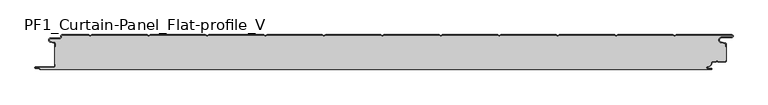
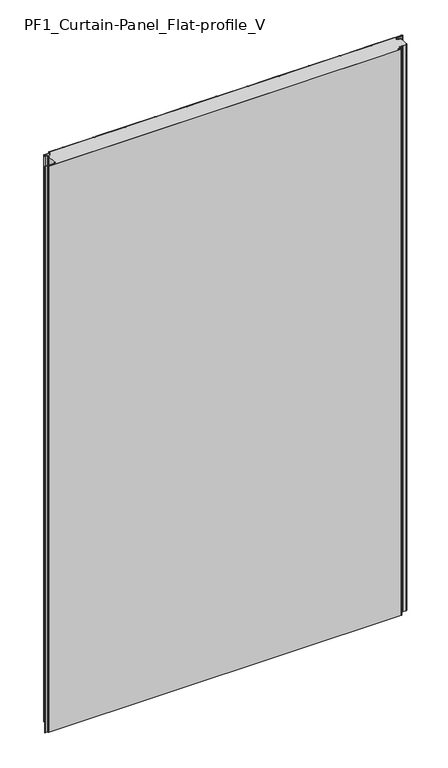
"""IFC4 building model written with IfcOpenShell, lengths in millimetres: plate geometry, PF1_Curtain-Panel_Flat-profile_V."""

from ifc_helpers import new_model, si_unit, point, frame_2d, origin, origin_with_axes, place, context, project, spatial, polyline, circle_curve, trimmed, segment, composite_curve, outline, extrude, source, transform, mapped, element, save


def pf1_curtain_panel_flat_profile_v_7232b82f(model_context):
    return source(origin(), model_context, "Body", "SweptSolid", [
        extrude(outline(composite_curve([segment(trimmed(circle_curve(frame_2d((-577.0, -15.878557)), 2.0), [point((-575.0, -15.878557))], [point((-576.5500978, -13.9298169))], True, "CARTESIAN"), True, "CONTINUOUS"), segment(polyline([(-576.5500978, -13.9298169), (-582.7098239, -12.507732)]), True, "CONTINUOUS"), segment(trimmed(circle_curve(frame_2d((-581.9, -9.0)), 3.6), [point((-582.7098239, -12.507732))], [point((-581.9, -5.4))], False, "CARTESIAN"), True, "CONTINUOUS"), segment(polyline([(-581.9, -5.4), (-566.4, -5.4)]), True, "CONTINUOUS"), segment(trimmed(circle_curve(frame_2d((-566.4, -3.4)), 2.0), [point((-566.4, -5.4))], [point((-564.4, -3.4))], True, "CARTESIAN"), True, "CONTINUOUS"), segment(polyline([(-564.4, -3.4), (-564.4, -2.0)]), True, "CONTINUOUS"), segment(trimmed(circle_curve(frame_2d((-562.4, -2.0)), 2.0), [point((-564.4, -2.0))], [point((-562.4, 0.0))], False, "CARTESIAN"), True, "CONTINUOUS"), segment(polyline([(-562.4, 0.0), (-517.0999995, 0.0), (-514.4, -1.5588455), (-511.7000005, 0.0), (-417.0999995, 0.0), (-414.4, -1.5588455), (-411.7000005, 0.0), (-317.0999995, 0.0), (-314.4, -1.5588455), (-311.7000005, 0.0), (-217.0999995, 0.0), (-214.4, -1.5588455), (-211.7000005, 0.0), (-117.0999995, 0.0), (-114.4, -1.5588455), (-111.7000005, 0.0), (-17.0999995, 0.0), (-14.4, -1.5588455), (-11.7000005, 0.0), (82.9000005, 0.0), (85.6, -1.5588455), (88.2999995, 0.0), (182.9000005, 0.0), (185.6, -1.5588455), (188.2999995, 0.0), (282.9000005, 0.0), (285.6, -1.5588455), (288.2999995, 0.0), (382.9000005, 0.0), (385.6, -1.5588455), (388.2999995, 0.0), (482.9000005, 0.0), (485.6, -1.5588455), (488.2999995, 0.0), (583.268846, 0.0)]), True, "CONTINUOUS"), segment(trimmed(circle_curve(frame_2d((583.268846, -2.5)), 2.5), [point((583.268846, 0.0))], [point((583.268846, -5.0))], False, "CARTESIAN"), True, "CONTINUOUS"), segment(polyline([(583.268846, -5.0), (566.268846, -5.0)]), True, "CONTINUOUS"), segment(trimmed(circle_curve(frame_2d((566.268846, -9.0)), 4.0), [point((566.268846, -5.0))], [point((565.574253, -12.939231))], True, "CARTESIAN"), True, "CONTINUOUS"), segment(polyline([(565.574253, -12.939231), (572.0203315, -14.0758491)]), True, "CONTINUOUS"), segment(trimmed(circle_curve(frame_2d((571.568846, -16.6363492)), 2.6), [point((572.0203315, -14.0758491))], [point((574.168846, -16.6363492))], False, "CARTESIAN"), True, "CONTINUOUS"), segment(polyline([(574.168846, -16.6363492), (574.168846, -20.0), (573.368846, -20.0), (573.368846, -16.6363492)]), True, "CONTINUOUS"), segment(trimmed(circle_curve(frame_2d((571.568846, -16.6363492)), 1.8), [point((573.368846, -16.6363492))], [point((571.8814129, -14.8636953))], True, "CARTESIAN"), True, "CONTINUOUS"), segment(polyline([(571.8814129, -14.8636953), (565.4353344, -13.7270772)]), True, "CONTINUOUS"), segment(trimmed(circle_curve(frame_2d((566.268846, -9.0)), 4.8), [point((565.4353344, -13.7270772))], [point((566.268846, -4.2))], False, "CARTESIAN"), True, "CONTINUOUS"), segment(polyline([(566.268846, -4.2), (583.268846, -4.2)]), True, "CONTINUOUS"), segment(trimmed(circle_curve(frame_2d((583.268846, -2.5)), 1.7), [point((583.268846, -4.2))], [point((583.268846, -0.8))], True, "CARTESIAN"), True, "CONTINUOUS"), segment(polyline([(583.268846, -0.8), (488.5143588, -0.8), (485.6, -2.482606), (482.6856412, -0.8), (388.5143588, -0.8), (385.6, -2.482606), (382.6856412, -0.8), (288.5143588, -0.8), (285.6, -2.482606), (282.6856412, -0.8), (188.5143588, -0.8), (185.6, -2.482606), (182.6856412, -0.8), (88.5143588, -0.8), (85.6, -2.482606), (82.6856412, -0.8), (-11.4856412, -0.8), (-14.4, -2.482606), (-17.3143588, -0.8), (-111.4856412, -0.8), (-114.4, -2.482606), (-117.3143588, -0.8), (-211.4856412, -0.8), (-214.4, -2.482606), (-217.3143588, -0.8), (-311.4856412, -0.8), (-314.4, -2.482606), (-317.3143588, -0.8), (-411.4856412, -0.8), (-414.4, -2.482606), (-417.3143588, -0.8), (-511.4856412, -0.8), (-514.4, -2.482606), (-517.3143588, -0.8), (-562.4, -0.8)]), True, "CONTINUOUS"), segment(trimmed(circle_curve(frame_2d((-562.4, -2.0)), 1.2), [point((-562.4, -0.8))], [point((-563.6, -2.0))], True, "CARTESIAN"), True, "CONTINUOUS"), segment(polyline([(-563.6, -2.0), (-563.6, -3.4)]), True, "CONTINUOUS"), segment(trimmed(circle_curve(frame_2d((-566.4, -3.4)), 2.8), [point((-563.6, -3.4))], [point((-566.4, -6.2))], False, "CARTESIAN"), True, "CONTINUOUS"), segment(polyline([(-566.4, -6.2), (-581.9, -6.2)]), True, "CONTINUOUS"), segment(trimmed(circle_curve(frame_2d((-581.9, -9.0)), 2.8), [point((-581.9, -6.2))], [point((-582.529863, -11.7282362))], True, "CARTESIAN"), True, "CONTINUOUS"), segment(polyline([(-582.529863, -11.7282362), (-576.370137, -13.150321)]), True, "CONTINUOUS"), segment(trimmed(circle_curve(frame_2d((-577.0, -15.878557)), 2.8), [point((-576.370137, -13.150321))], [point((-574.2, -15.878557))], False, "CARTESIAN"), True, "CONTINUOUS"), segment(polyline([(-574.2, -15.878557), (-574.2, -20.0), (-575.0, -20.0), (-575.0, -15.878557)]), True, "CONTINUOUS")], self_intersect=False)), origin_with_axes(), (0.0, 0.0, 1.0), 1945.7507136),
        extrude(outline(composite_curve([segment(polyline([(-574.2, -50.0), (-575.0, -50.0), (-575.0, -20.0), (-574.2, -20.0), (-574.2, -15.878557)]), True, "CONTINUOUS"), segment(trimmed(circle_curve(frame_2d((-577.0, -15.878557)), 2.8), [point((-574.2, -15.878557))], [point((-576.370137, -13.1503208))], True, "CARTESIAN"), True, "CONTINUOUS"), segment(polyline([(-576.370137, -13.1503208), (-582.529863, -11.7282362)]), True, "CONTINUOUS"), segment(trimmed(circle_curve(frame_2d((-581.9, -9.0)), 2.8), [point((-582.529863, -11.7282362))], [point((-581.9, -6.2))], False, "CARTESIAN"), True, "CONTINUOUS"), segment(polyline([(-581.9, -6.2), (-566.4, -6.2)]), True, "CONTINUOUS"), segment(trimmed(circle_curve(frame_2d((-566.4, -3.4)), 2.8), [point((-566.4, -6.2))], [point((-563.6, -3.4))], True, "CARTESIAN"), True, "CONTINUOUS"), segment(polyline([(-563.6, -3.4), (-563.6, -2.0)]), True, "CONTINUOUS"), segment(trimmed(circle_curve(frame_2d((-562.4, -2.0)), 1.2), [point((-563.6, -2.0))], [point((-562.4, -0.8))], False, "CARTESIAN"), True, "CONTINUOUS"), segment(polyline([(-562.4, -0.8), (-517.3143588, -0.8), (-514.4, -2.482606), (-511.4856412, -0.8), (-417.3143588, -0.8), (-414.4, -2.482606), (-411.4856412, -0.8), (-317.3143588, -0.8), (-314.4, -2.482606), (-311.4856412, -0.8), (-217.3143588, -0.8), (-214.4, -2.482606), (-211.4856412, -0.8), (-117.3143588, -0.8), (-114.4, -2.482606), (-111.4856412, -0.8), (-17.3143588, -0.8), (-14.4, -2.482606), (-11.4856412, -0.8), (82.6856412, -0.8), (85.6, -2.482606), (88.5143588, -0.8), (182.6856412, -0.8), (185.6, -2.482606), (188.5143588, -0.8), (282.6856412, -0.8), (285.6, -2.482606), (288.5143588, -0.8), (382.6856412, -0.8), (385.6, -2.482606), (388.5143588, -0.8), (482.6856412, -0.8), (485.6, -2.482606), (488.5143588, -0.8), (583.268846, -0.8)]), True, "CONTINUOUS"), segment(trimmed(circle_curve(frame_2d((583.268846, -2.5)), 1.7), [point((583.268846, -0.8))], [point((583.268846, -4.2))], False, "CARTESIAN"), True, "CONTINUOUS"), segment(polyline([(583.268846, -4.2), (566.268846, -4.2)]), True, "CONTINUOUS"), segment(trimmed(circle_curve(frame_2d((566.268846, -9.0)), 4.8), [point((566.268846, -4.2))], [point((565.4353344, -13.7270772))], True, "CARTESIAN"), True, "CONTINUOUS"), segment(polyline([(565.4353344, -13.7270772), (571.8814129, -14.8636953)]), True, "CONTINUOUS"), segment(trimmed(circle_curve(frame_2d((571.568846, -16.6363492)), 1.8), [point((571.8814129, -14.8636953))], [point((573.368846, -16.6363492))], False, "CARTESIAN"), True, "CONTINUOUS"), segment(polyline([(573.368846, -16.6363492), (573.368846, -20.0), (574.168846, -20.0), (574.168846, -43.0), (573.368846, -43.0), (573.368846, -44.4)]), True, "CONTINUOUS"), segment(trimmed(circle_curve(frame_2d((571.568846, -44.4)), 1.8), [point((573.368846, -44.4))], [point((571.568846, -46.2))], False, "CARTESIAN"), True, "CONTINUOUS"), segment(polyline([(571.568846, -46.2), (560.0002158, -46.2), (558.168846, -44.3686285), (556.3374762, -46.2), (550.168846, -46.2)]), True, "CONTINUOUS"), segment(trimmed(circle_curve(frame_2d((550.168846, -48.0)), 1.8), [point((550.168846, -46.2))], [point((548.368846, -48.0))], True, "CARTESIAN"), True, "CONTINUOUS"), segment(polyline([(548.368846, -48.0), (548.368846, -48.8276204)]), True, "CONTINUOUS"), segment(trimmed(circle_curve(frame_2d((542.9964664, -48.8276204)), 5.3723796), [point((548.368846, -48.8276204))], [point((542.9964664, -54.2))], False, "CARTESIAN"), True, "CONTINUOUS"), segment(polyline([(542.9964664, -54.2), (542.168846, -54.2)]), True, "CONTINUOUS"), segment(trimmed(circle_curve(frame_2d((542.168846, -56.4)), 2.2), [point((542.168846, -54.2))], [point((542.168846, -58.6))], True, "CARTESIAN"), True, "CONTINUOUS"), segment(polyline([(542.168846, -58.6), (548.0579973, -58.6)]), True, "CONTINUOUS"), segment(trimmed(circle_curve(frame_2d((548.0579973, -58.9)), 0.3), [point((548.0579973, -58.6))], [point((548.0579973, -59.2))], False, "CARTESIAN"), True, "CONTINUOUS"), segment(polyline([(548.0579973, -59.2), (-599.4, -59.2)]), True, "CONTINUOUS"), segment(trimmed(circle_curve(frame_2d((-599.4, -58.4)), 0.8), [point((-599.4, -59.2))], [point((-600.2, -58.4))], False, "CARTESIAN"), True, "CONTINUOUS"), segment(trimmed(circle_curve(frame_2d((-601.9, -58.6133333)), 1.7133333), [point((-600.2, -58.4))], [point((-601.9, -56.9))], True, "CARTESIAN"), True, "CONTINUOUS"), segment(polyline([(-601.9, -56.9), (-607.8700312, -56.9)]), True, "CONTINUOUS"), segment(trimmed(circle_curve(frame_2d((-607.8700312, -56.6)), 0.3), [point((-607.8700312, -56.9))], [point((-607.8700312, -56.3))], False, "CARTESIAN"), True, "CONTINUOUS"), segment(polyline([(-607.8700312, -56.3), (-577.0, -56.3)]), True, "CONTINUOUS"), segment(trimmed(circle_curve(frame_2d((-577.0, -53.5)), 2.8), [point((-577.0, -56.3))], [point((-574.2, -53.5))], True, "CARTESIAN"), True, "CONTINUOUS"), segment(polyline([(-574.2, -53.5), (-574.2, -50.0)]), True, "CONTINUOUS")], self_intersect=False)), origin_with_axes(), (0.0, 0.0, 1.0), 1945.7507136),
        extrude(outline(composite_curve([segment(polyline([(-575.0, -50.0), (-574.2, -50.0), (-574.2, -53.5)]), True, "CONTINUOUS"), segment(trimmed(circle_curve(frame_2d((-577.0, -53.5)), 2.8), [point((-574.2, -53.5))], [point((-577.0, -56.3))], False, "CARTESIAN"), True, "CONTINUOUS"), segment(polyline([(-577.0, -56.3), (-607.8700312, -56.3)]), True, "CONTINUOUS"), segment(trimmed(circle_curve(frame_2d((-607.8700312, -56.6)), 0.3), [point((-607.8700312, -56.3))], [point((-607.8700312, -56.9))], True, "CARTESIAN"), True, "CONTINUOUS"), segment(polyline([(-607.8700312, -56.9), (-601.9, -56.9)]), True, "CONTINUOUS"), segment(trimmed(circle_curve(frame_2d((-601.9, -58.6133333)), 1.7133333), [point((-601.9, -56.9))], [point((-600.2, -58.4))], False, "CARTESIAN"), True, "CONTINUOUS"), segment(trimmed(circle_curve(frame_2d((-599.4, -58.4)), 0.8), [point((-600.2, -58.4))], [point((-599.4, -59.2))], True, "CARTESIAN"), True, "CONTINUOUS"), segment(polyline([(-599.4, -59.2), (548.0579973, -59.2)]), True, "CONTINUOUS"), segment(trimmed(circle_curve(frame_2d((548.0579973, -58.9)), 0.3), [point((548.0579973, -59.2))], [point((548.0579973, -58.6))], True, "CARTESIAN"), True, "CONTINUOUS"), segment(polyline([(548.0579973, -58.6), (542.168846, -58.6)]), True, "CONTINUOUS"), segment(trimmed(circle_curve(frame_2d((542.168846, -56.4)), 2.2), [point((542.168846, -58.6))], [point((542.168846, -54.2))], False, "CARTESIAN"), True, "CONTINUOUS"), segment(polyline([(542.168846, -54.2), (542.9964664, -54.2)]), True, "CONTINUOUS"), segment(trimmed(circle_curve(frame_2d((542.9964664, -48.8276204)), 5.3723796), [point((542.9964664, -54.2))], [point((548.368846, -48.8276204))], True, "CARTESIAN"), True, "CONTINUOUS"), segment(polyline([(548.368846, -48.8276204), (548.368846, -48.0)]), True, "CONTINUOUS"), segment(trimmed(circle_curve(frame_2d((550.168846, -48.0)), 1.8), [point((548.368846, -48.0))], [point((550.168846, -46.2))], False, "CARTESIAN"), True, "CONTINUOUS"), segment(polyline([(550.168846, -46.2), (556.3374762, -46.2), (558.168846, -44.3686285), (560.0002158, -46.2), (571.568846, -46.2)]), True, "CONTINUOUS"), segment(trimmed(circle_curve(frame_2d((571.568846, -44.4)), 1.8), [point((571.568846, -46.2))], [point((573.368846, -44.4))], True, "CARTESIAN"), True, "CONTINUOUS"), segment(polyline([(573.368846, -44.4), (573.368846, -43.0), (574.168846, -43.0), (574.168846, -44.4)]), True, "CONTINUOUS"), segment(trimmed(circle_curve(frame_2d((571.568846, -44.4)), 2.6), [point((574.168846, -44.4))], [point((571.568846, -47.0))], False, "CARTESIAN"), True, "CONTINUOUS"), segment(polyline([(571.568846, -47.0), (559.6688448, -47.0), (558.168846, -45.4999999), (556.6688472, -47.0), (550.168846, -47.0)]), True, "CONTINUOUS"), segment(trimmed(circle_curve(frame_2d((550.168846, -48.0)), 1.0), [point((550.168846, -47.0))], [point((549.168846, -48.0))], True, "CARTESIAN"), True, "CONTINUOUS"), segment(polyline([(549.168846, -48.0), (549.168846, -48.8276204)]), True, "CONTINUOUS"), segment(trimmed(circle_curve(frame_2d((542.9964664, -48.8276204)), 6.1723796), [point((549.168846, -48.8276204))], [point((542.9964664, -55.0))], False, "CARTESIAN"), True, "CONTINUOUS"), segment(polyline([(542.9964664, -55.0), (542.168846, -55.0)]), True, "CONTINUOUS"), segment(trimmed(circle_curve(frame_2d((542.168846, -56.5)), 1.5), [point((542.168846, -55.0))], [point((542.168846, -58.0))], True, "CARTESIAN"), True, "CONTINUOUS"), segment(polyline([(542.168846, -58.0), (548.168846, -58.0)]), True, "CONTINUOUS"), segment(trimmed(circle_curve(frame_2d((548.168846, -59.0)), 1.0), [point((548.168846, -58.0))], [point((548.168846, -60.0))], False, "CARTESIAN"), True, "CONTINUOUS"), segment(polyline([(548.168846, -60.0), (-599.4, -60.0)]), True, "CONTINUOUS"), segment(trimmed(circle_curve(frame_2d((-599.4, -58.4)), 1.6), [point((-599.4, -60.0))], [point((-601.0, -58.4))], False, "CARTESIAN"), True, "CONTINUOUS"), segment(trimmed(circle_curve(frame_2d((-601.9, -58.4)), 0.9), [point((-601.0, -58.4))], [point((-601.9, -57.5))], True, "CARTESIAN"), True, "CONTINUOUS"), segment(polyline([(-601.9, -57.5), (-608.0, -57.5)]), True, "CONTINUOUS"), segment(trimmed(circle_curve(frame_2d((-608.0, -56.5)), 1.0), [point((-608.0, -57.5))], [point((-608.0, -55.5))], False, "CARTESIAN"), True, "CONTINUOUS"), segment(polyline([(-608.0, -55.5), (-577.0, -55.5)]), True, "CONTINUOUS"), segment(trimmed(circle_curve(frame_2d((-577.0, -53.5)), 2.0), [point((-577.0, -55.5))], [point((-575.0, -53.5))], True, "CARTESIAN"), True, "CONTINUOUS"), segment(polyline([(-575.0, -53.5), (-575.0, -50.0)]), True, "CONTINUOUS")], self_intersect=False)), origin_with_axes(), (0.0, 0.0, 1.0), 1945.7507136),
    ])


if __name__ == "__main__":
    model = new_model("IFC4")
    model_context = context("Model", 3, world=origin())
    ifc_project = project(units=[si_unit("LENGTHUNIT", "METRE", prefix="MILLI")], contexts=[model_context])
    site = spatial("IfcSite", under=ifc_project)
    building = spatial("IfcBuilding", under=site)
    placement = place(None, origin())
    pf1_curtain_panel_flat_profile_v_shape = pf1_curtain_panel_flat_profile_v_7232b82f(model_context)
    element("IfcPlate", 1, ObjectType="PF1_Curtain-Panel_Flat-profile_V", at=placement, inside=building, context=model_context, shape_type="MappedRepresentation", body=[
        mapped(pf1_curtain_panel_flat_profile_v_shape, transform((0.0, 0.0, 0.0), x_axis=(1.0, 0.0, 0.0), y_axis=(0.0, 1.0, 0.0), z_axis=(0.0, 0.0, 1.0))),
    ])
    save(model, "model.ifc")
